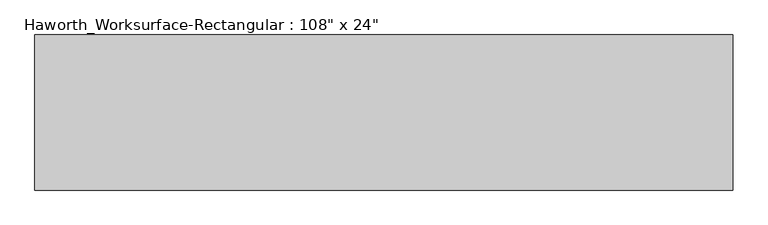
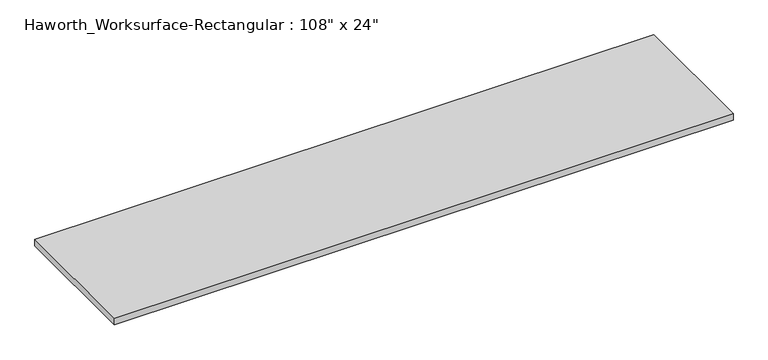
"""IFC4 building model written with IfcOpenShell, lengths in millimetres: furniture geometry."""

from ifc_helpers import new_model, si_unit, frame, origin, place, context, project, spatial, polyline, outline, extrude, source, transform, mapped, element, save


def furniture_4f0b802a(model_context):
    return source(origin(), model_context, "Body", "SweptSolid", [
        extrude(outline(polyline([(1371.6, -304.8), (-1371.6, -304.8), (-1371.6, 304.8), (1371.6, 304.8), (1371.6, -304.8)])), frame((0.0, 0.0, 706.4375), z_axis=(0.0, 0.0, 1.0), x_axis=(1.0, 0.0, 0.0)), (0.0, 0.0, 1.0), 30.1625),
    ])


if __name__ == "__main__":
    model = new_model("IFC4")
    model_context = context("Model", 3, world=origin())
    ifc_project = project(units=[si_unit("LENGTHUNIT", "METRE", prefix="MILLI")], contexts=[model_context])
    site = spatial("IfcSite", under=ifc_project)
    building = spatial("IfcBuilding", under=site)
    placement = place(None, origin())
    furniture_shape = furniture_4f0b802a(model_context)
    element("IfcFurniture", 1, ObjectType="Haworth_Worksurface-Rectangular : 108\" x 24\"", at=placement, inside=building, context=model_context, shape_type="MappedRepresentation", body=[
        mapped(furniture_shape, transform((0.0, 0.0, 0.0), x_axis=(1.0, 0.0, 0.0), y_axis=(0.0, 1.0, 0.0), z_axis=(0.0, 0.0, 1.0))),
    ])
    save(model, "model.ifc")
